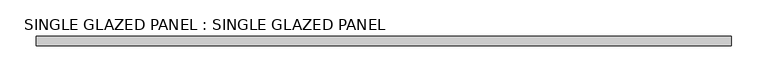
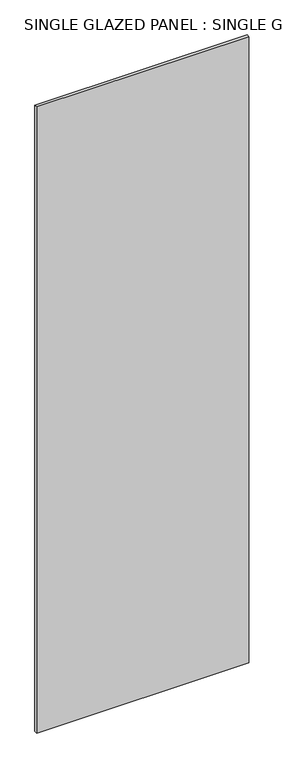
"""IFC4 building model written with IfcOpenShell, lengths in millimetres: plate geometry, SINGLE GLAZED PANEL : SINGLE GLAZED PANEL."""

from ifc_helpers import new_model, si_unit, origin, origin_with_axes, place, context, project, spatial, polyline, outline, extrude, source, transform, mapped, element, save


def single_glazed_panel_single_glazed_panel_70171522(model_context):
    return source(origin(), model_context, "Body", "SweptSolid", [
        extrude(outline(polyline([(476.25, 6.35), (476.25, -6.35), (-476.25, -6.35), (-476.25, 6.35), (476.25, 6.35)])), origin_with_axes(), (0.0, 0.0, 1.0), 2968.625),
    ])


if __name__ == "__main__":
    model = new_model("IFC4")
    model_context = context("Model", 3, world=origin())
    ifc_project = project(units=[si_unit("LENGTHUNIT", "METRE", prefix="MILLI")], contexts=[model_context])
    site = spatial("IfcSite", under=ifc_project)
    building = spatial("IfcBuilding", under=site)
    placement = place(None, origin())
    single_glazed_panel_single_glazed_panel_shape = single_glazed_panel_single_glazed_panel_70171522(model_context)
    element("IfcPlate", 1, ObjectType="SINGLE GLAZED PANEL : SINGLE GLAZED PANEL", at=placement, inside=building, context=model_context, shape_type="MappedRepresentation", body=[
        mapped(single_glazed_panel_single_glazed_panel_shape, transform((0.0, 0.0, 0.0), x_axis=(1.0, 0.0, 0.0), y_axis=(0.0, 1.0, 0.0), z_axis=(0.0, 0.0, 1.0))),
    ])
    save(model, "model.ifc")
